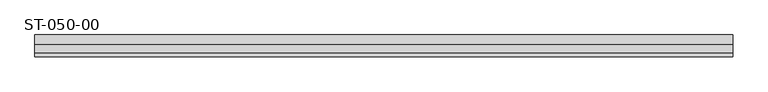
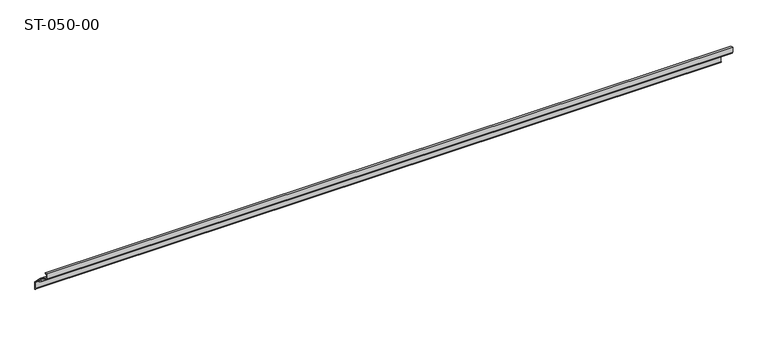
"""IFC4 building model written with IfcOpenShell, lengths in millimetres: plate geometry, ST-050-00."""

from ifc_helpers import new_model, si_unit, point, frame, frame_2d, origin, place, context, project, spatial, polyline, circle_curve, trimmed, segment, composite_curve, outline, extrude, source, transform, mapped, element, save


def st_050_00_b5ffa350(model_context):
    return source(origin(), model_context, "Body", "SweptSolid", [
        extrude(outline(composite_curve([segment(polyline([(22.3946828, -28.8862938), (20.6013876, -27.0929986), (21.9401513, -23.4831003), (2.5714193, -12.3005576), (1.3782013, -12.3005576), (0.0, -9.5826412), (0.0, 0.0), (6.5162801, -2.1172677), (5.9423798, -3.8835511), (1.4, -2.4076424), (1.4, -10.0076576), (3.6, -10.0076576), (3.8493498, -11.4217903), (23.283107, -22.6418753), (41.0, -40.3587683), (41.0, -55.5853362), (37.0312713, -52.2833915), (37.0312713, -50.9825424), (39.6, -53.1197004), (39.6, -40.9386673), (27.0, -28.3386673), (27.0, -31.1158484), (26.4535534, -32.0623217), (25.6, -31.7457736), (25.6, -29.6753217), (24.548431, -27.4202248), (24.1254706, -25.8417149), (22.3937391, -26.7198414), (22.6627494, -27.7238016)]), True, "CONTINUOUS"), segment(trimmed(circle_curve(frame_2d((21.4348706, -28.0528108)), 1.2711937), [point((22.6627494, -27.7238016))], [point((22.3946828, -28.8862938))], False, "CARTESIAN"), True, "CONTINUOUS")], self_intersect=False)), frame((-650.0, 0.0, 0.0), z_axis=(1.0, 0.0, 0.0), x_axis=(0.0, 1.0, 0.0)), (0.0, 0.0, 1.0), 1299.7321324),
    ])


if __name__ == "__main__":
    model = new_model("IFC4")
    model_context = context("Model", 3, world=origin())
    ifc_project = project(units=[si_unit("LENGTHUNIT", "METRE", prefix="MILLI")], contexts=[model_context])
    site = spatial("IfcSite", under=ifc_project)
    building = spatial("IfcBuilding", under=site)
    placement = place(None, origin())
    st_050_00_shape = st_050_00_b5ffa350(model_context)
    element("IfcPlate", 1, ObjectType="ST-050-00", at=placement, inside=building, context=model_context, shape_type="MappedRepresentation", body=[
        mapped(st_050_00_shape, transform((0.0, 0.0, 0.0), x_axis=(1.0, 0.0, 0.0), y_axis=(0.0, 1.0, 0.0), z_axis=(0.0, 0.0, 1.0))),
    ])
    save(model, "model.ifc")
